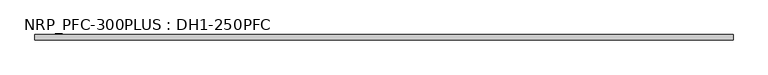
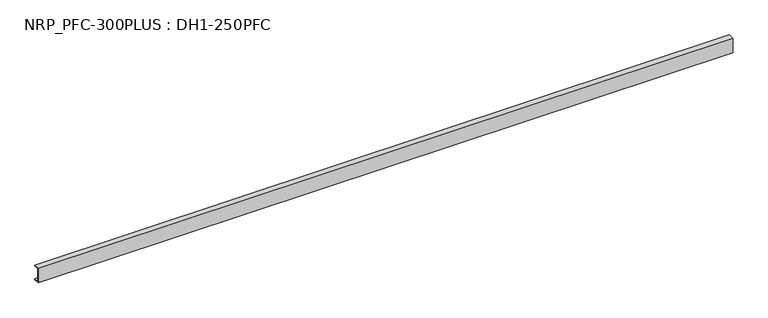
"""IFC4 building model written with IfcOpenShell, lengths in millimetres: beam geometry, NRP_PFC-300PLUS : DH1-250PFC."""

from ifc_helpers import new_model, si_unit, point, frame, frame_2d, origin, place, context, project, spatial, polyline, circle_curve, trimmed, segment, composite_curve, outline, extrude, source, transform, mapped, element, save


def nrp_pfc_300plus_dh1_250pfc_4f2d3eda(model_context):
    return source(origin(), model_context, "Body", "SweptSolid", [
        extrude(outline(composite_curve([segment(polyline([(-28.6, 125.0), (61.4, 125.0), (61.4, 110.0), (-8.6, 110.0)]), True, "CONTINUOUS"), segment(trimmed(circle_curve(frame_2d((-8.6, 98.0)), 12.0), [point((-8.6, 110.0))], [point((-20.6, 98.0))], True, "CARTESIAN"), True, "CONTINUOUS"), segment(polyline([(-20.6, 98.0), (-20.6, -98.0)]), True, "CONTINUOUS"), segment(trimmed(circle_curve(frame_2d((-8.6, -98.0)), 12.0), [point((-20.6, -98.0))], [point((-8.6, -110.0))], True, "CARTESIAN"), True, "CONTINUOUS"), segment(polyline([(-8.6, -110.0), (61.4, -110.0), (61.4, -125.0), (-28.6, -125.0), (-28.6, 125.0)]), True, "CONTINUOUS")], self_intersect=False)), frame((-5649.5, 0.0, 0.0), z_axis=(1.0, 0.0, 0.0), x_axis=(0.0, 1.0, 0.0)), (0.0, 0.0, 1.0), 11299.0),
    ])


if __name__ == "__main__":
    model = new_model("IFC4")
    model_context = context("Model", 3, world=origin())
    ifc_project = project(units=[si_unit("LENGTHUNIT", "METRE", prefix="MILLI")], contexts=[model_context])
    site = spatial("IfcSite", under=ifc_project)
    building = spatial("IfcBuilding", under=site)
    placement = place(None, origin())
    nrp_pfc_300plus_dh1_250pfc_shape = nrp_pfc_300plus_dh1_250pfc_4f2d3eda(model_context)
    element("IfcBeam", 1, ObjectType="NRP_PFC-300PLUS : DH1-250PFC", at=placement, inside=building, context=model_context, shape_type="MappedRepresentation", body=[
        mapped(nrp_pfc_300plus_dh1_250pfc_shape, transform((0.0, 0.0, 0.0), x_axis=(1.0, 0.0, 0.0), y_axis=(0.0, 1.0, 0.0), z_axis=(0.0, 0.0, 1.0))),
    ])
    save(model, "model.ifc")
